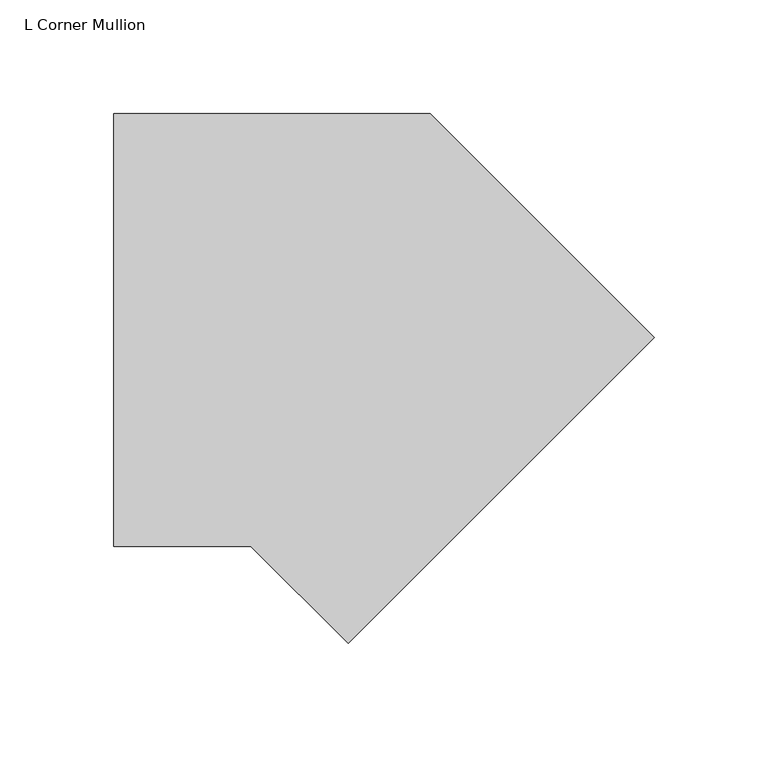
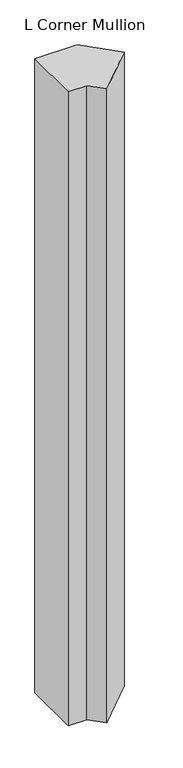
"""IFC4 building model written with IfcOpenShell, lengths in millimetres: member geometry, L Corner Mullion."""

from ifc_helpers import new_model, si_unit, frame, origin, place, context, project, spatial, polyline, outline, extrude, source, transform, mapped, element, save


def l_corner_mullion_a641854c(model_context):
    return source(origin(), model_context, "Body", "SweptSolid", [
        extrude(outline(polyline([(26.8995846, -80.7811214), (-15.7815367, -38.1), (-76.1417574, -38.1), (-76.1417574, 152.4), (63.1261469, 152.4), (161.6034264, 53.9227205), (26.8995846, -80.7811214)])), frame((0.0, 0.0, -2212.5077323), z_axis=(0.0, 0.0, 1.0), x_axis=(1.0, 0.0, 0.0)), (0.0, 0.0, 1.0), 2212.5077323),
    ])


if __name__ == "__main__":
    model = new_model("IFC4")
    model_context = context("Model", 3, world=origin())
    ifc_project = project(units=[si_unit("LENGTHUNIT", "METRE", prefix="MILLI")], contexts=[model_context])
    site = spatial("IfcSite", under=ifc_project)
    building = spatial("IfcBuilding", under=site)
    placement = place(None, origin())
    l_corner_mullion_shape = l_corner_mullion_a641854c(model_context)
    element("IfcMember", 1, ObjectType="L Corner Mullion", at=placement, inside=building, context=model_context, shape_type="MappedRepresentation", body=[
        mapped(l_corner_mullion_shape, transform((0.0, 0.0, 0.0), x_axis=(1.0, 0.0, 0.0), y_axis=(0.0, 1.0, 0.0), z_axis=(0.0, 0.0, 1.0))),
    ])
    save(model, "model.ifc")
